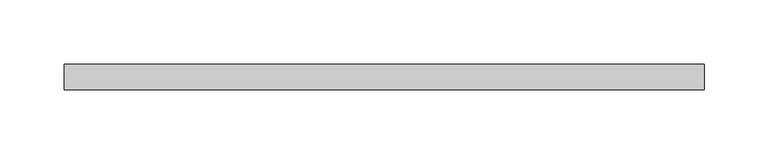
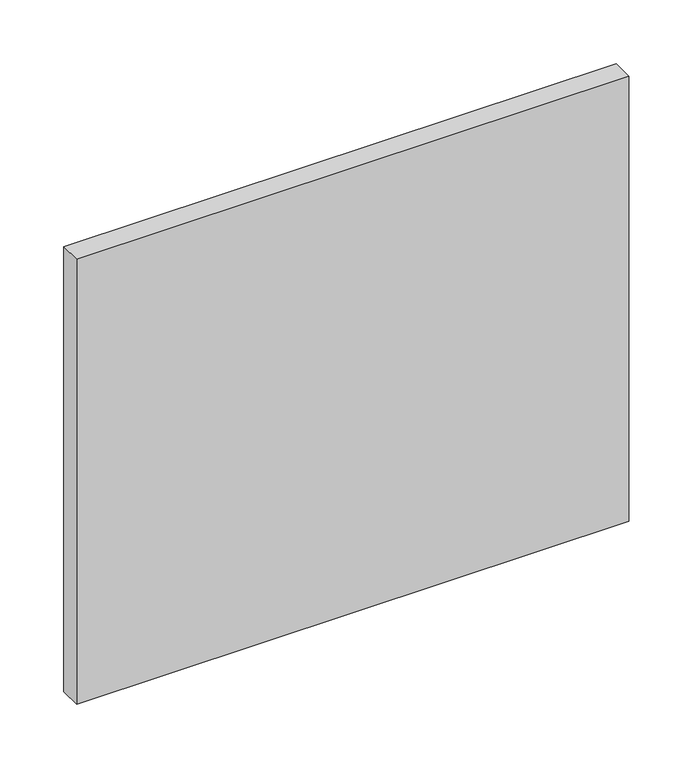
"""IFC4 building model written with IfcOpenShell, lengths in millimetres: plate geometry."""

from ifc_helpers import new_model, si_unit, origin, origin_with_axes, place, context, project, spatial, polyline, outline, extrude, source, transform, mapped, element, save


def plate_82b7ce60(model_context):
    return source(origin(), model_context, "Body", "SweptSolid", [
        extrude(outline(polyline([(250.0, 70.0), (-250.0, 70.0), (-250.0, 90.0), (250.0, 90.0), (250.0, 70.0)])), origin_with_axes(), (0.0, 0.0, 1.0), 425.8552083),
    ])


if __name__ == "__main__":
    model = new_model("IFC4")
    model_context = context("Model", 3, world=origin())
    ifc_project = project(units=[si_unit("LENGTHUNIT", "METRE", prefix="MILLI")], contexts=[model_context])
    site = spatial("IfcSite", under=ifc_project)
    building = spatial("IfcBuilding", under=site)
    placement = place(None, origin())
    plate_shape = plate_82b7ce60(model_context)
    element("IfcPlate", 1, at=placement, inside=building, context=model_context, shape_type="MappedRepresentation", body=[
        mapped(plate_shape, transform((0.0, 0.0, 0.0), x_axis=(1.0, 0.0, 0.0), y_axis=(0.0, 1.0, 0.0), z_axis=(0.0, 0.0, 1.0))),
    ])
    save(model, "model.ifc")
